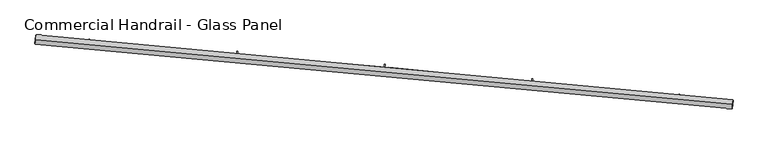
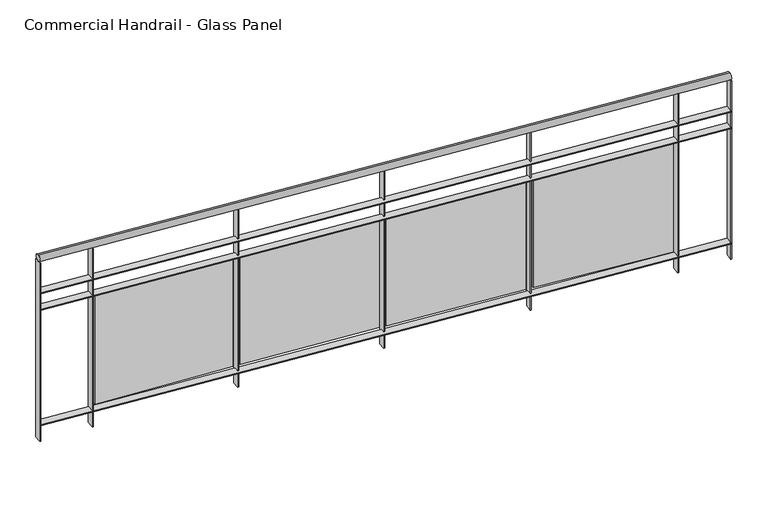
"""IFC4 building model written with IfcOpenShell, lengths in millimetres: railing geometry, Commercial Handrail - Glass Panel."""

from ifc_helpers import new_model, si_unit, point, frame, origin, place, context, project, spatial, polyline, circle_curve, ellipse_curve, trimmed, outline, extrude, source, transform, mapped, element, save
from ifc_brep_helpers import plane_surface, cylinder_surface, revolved_surface, advanced_brep


def commercial_handrail_glass_panel_b4ea910e(model_context):
    return source(origin(), model_context, "Body", "SolidModel", [
        advanced_brep(
        [(134392.4186606, -8697.9244773, 16282.5), (130631.4894824, -8347.8645549, 16282.5), (130631.4894824, -8347.8645549, 16317.5), (134392.4186606, -8697.9244773, 16317.5)],
        [
            (0, 1, circle_curve(frame((123990.1653691, -100078.2018552, 16282.5), z_axis=(0.0, 0.0, 1.0), x_axis=(0.07221150688072363, 0.9973893413677606, 0.0)), 91970.4407253)),
            (1, 2, ellipse_curve(frame((130631.4894824, -8347.8645549, 16300.0), z_axis=(0.9973893413677601, -0.07221150688073003, 0.0), x_axis=(-0.07221150688073003, -0.9973893413677601, 0.0)), 25.0, 17.5)),
            (2, 3, circle_curve(frame((123990.1653691, -100078.2018552, 16317.5), z_axis=(0.0, 0.0, -1.0), x_axis=(0.07221150688072363, 0.9973893413677606, 0.0)), 91970.4407253)),
            (3, 0, ellipse_curve(frame((134392.4186606, -8697.9244773, 16300.0), z_axis=(-0.9935831192856617, 0.11310431057468384, 0.0), x_axis=(-0.11310431057468384, -0.9935831192856617, 0.0)), 25.0, 17.5)),
            (2, 1, ellipse_curve(frame((130631.4894824, -8347.8645549, 16300.0), z_axis=(0.9973893413677601, -0.07221150688073003, 0.0), x_axis=(-0.07221150688073003, -0.9973893413677601, 0.0)), 25.0, 17.5)),
            (0, 3, ellipse_curve(frame((134392.4186606, -8697.9244773, 16300.0), z_axis=(-0.9935831192856617, 0.11310431057468384, 0.0), x_axis=(-0.11310431057468384, -0.9935831192856617, 0.0)), 25.0, 17.5)),
        ],
        [
            revolved_surface(trimmed(ellipse_curve(frame((130631.4894824, -8347.8645549, 16300.0), z_axis=(-0.9973893413677606, 0.07221150688072363, 0.0), x_axis=(0.0, 0.0, -1.0)), 17.5, 25.0), [point((130631.4894824, -8347.8645549, 16317.5))], [point((130631.4894824, -8347.8645549, 16282.5))], True, "CARTESIAN"), (123990.1653691, -100078.2018552, 16300.0), (0.0, 0.0, -1.0)),
            revolved_surface(trimmed(ellipse_curve(frame((130631.4894824, -8347.8645549, 16300.0), z_axis=(-0.9973893413677606, 0.07221150688072363, 0.0), x_axis=(0.0, 0.0, -1.0)), 17.5, 25.0), [point((130631.4894824, -8347.8645549, 16282.5))], [point((130631.4894824, -8347.8645549, 16317.5))], True, "CARTESIAN"), (123990.1653691, -100078.2018552, 16300.0), (0.0, 0.0, -1.0)),
            plane_surface(frame((130631.4894824, -8347.8645549, 16300.0), z_axis=(-0.9973893413677607, 0.07221150688072363, 0.0), x_axis=(0.07221150688072363, 0.9973893413677607, 0.0))),
            plane_surface(frame((134392.4186606, -8697.9244773, 16300.0), z_axis=(0.9935831192856617, -0.11310431057468376, 0.0), x_axis=(0.11310431057468376, 0.9935831192856617, 0.0))),
        ],
        [
            (0, [[1, 2, 3, 4]]),
            (1, [[-3, 5, -1, 6]]),
            (2, [[-2, -5]]),
            (3, [[-6, -4]]),
        ],
    ),
        advanced_brep(
        [(134394.9635076, -8675.5688571, 16100.0), (130633.1142413, -8325.4232948, 16100.0), (130629.8647235, -8370.3058151, 16100.0), (134389.8738136, -8720.2800975, 16100.0), (134394.9635076, -8675.5688571, 16094.0), (130633.1142413, -8325.4232948, 16094.0), (134389.8738136, -8720.2800975, 16094.0), (130629.8647235, -8370.3058151, 16094.0)],
        [
            (0, 1, circle_curve(frame((123990.1653691, -100078.2018552, 16100.0), z_axis=(0.0, 0.0, 1.0), x_axis=(0.07221150688072363, 0.9973893413677606, 0.0)), 91992.9407253)),
            (1, 2),
            (2, 3, circle_curve(frame((123990.1653691, -100078.2018552, 16100.0), z_axis=(0.0, 0.0, -1.0), x_axis=(0.07221150688072363, 0.9973893413677606, 0.0)), 91947.9407253)),
            (3, 0),
            (4, 5, circle_curve(frame((123990.1653691, -100078.2018552, 16094.0), z_axis=(0.0, 0.0, 1.0), x_axis=(0.07221150688072363, 0.9973893413677606, 0.0)), 91992.9407253)),
            (5, 1),
            (0, 4),
            (6, 7, circle_curve(frame((123990.1653691, -100078.2018552, 16094.0), z_axis=(0.0, 0.0, 1.0), x_axis=(0.07221150688072363, 0.9973893413677606, 0.0)), 91947.9407253)),
            (7, 5),
            (4, 6),
            (2, 7),
            (6, 3),
        ],
        [
            plane_surface(frame((123990.1653691, -100078.2018552, 16100.0), z_axis=(0.0, 0.0, 1.0), x_axis=(0.07221150688072363, 0.9973893413677606, 0.0))),
            cylinder_surface(frame((123990.1653691, -100078.2018552, 16100.0), z_axis=(0.0, 0.0, -1.0), x_axis=(0.07221150688072363, 0.9973893413677606, 0.0)), 91992.9407253),
            plane_surface(frame((123990.1653691, -100078.2018552, 16094.0), z_axis=(0.0, 0.0, -1.0), x_axis=(0.07221150688072363, 0.9973893413677606, 0.0))),
            revolved_surface(polyline([(130629.86472345337, -8370.305815071144, 16094.0), (130629.86472345337, -8370.305815071144, 16100.0)]), (123990.1653691, -100078.2018552, 16100.0), (0.0, 0.0, -1.0)),
            plane_surface(frame((130631.4894824, -8347.8645549, 16100.0), z_axis=(-0.9973893413677607, 0.07221150688072363, 0.0), x_axis=(0.07221150688072363, 0.9973893413677607, 0.0))),
            plane_surface(frame((134392.4186606, -8697.9244773, 16100.0), z_axis=(0.9935831192856617, -0.11310431057468376, 0.0), x_axis=(0.11310431057468376, 0.9935831192856617, 0.0))),
        ],
        [
            (0, [[1, 2, 3, 4]]),
            (1, [[5, 6, -1, 7]]),
            (2, [[8, 9, -5, 10]]),
            (3, [[-3, 11, -8, 12]]),
            (4, [[-2, -6, -9, -11]]),
            (5, [[-12, -10, -7, -4]]),
        ],
    ),
        advanced_brep(
        [(134394.9635076, -8675.5688571, 16000.0), (130633.1142413, -8325.4232948, 16000.0), (130629.8647235, -8370.3058151, 16000.0), (134389.8738136, -8720.2800975, 16000.0), (134394.9635076, -8675.5688571, 15994.0), (130633.1142413, -8325.4232948, 15994.0), (134389.8738136, -8720.2800975, 15994.0), (130629.8647235, -8370.3058151, 15994.0)],
        [
            (0, 1, circle_curve(frame((123990.1653691, -100078.2018552, 16000.0), z_axis=(0.0, 0.0, 1.0), x_axis=(0.07221150688072363, 0.9973893413677606, 0.0)), 91992.9407253)),
            (1, 2),
            (2, 3, circle_curve(frame((123990.1653691, -100078.2018552, 16000.0), z_axis=(0.0, 0.0, -1.0), x_axis=(0.07221150688072363, 0.9973893413677606, 0.0)), 91947.9407253)),
            (3, 0),
            (4, 5, circle_curve(frame((123990.1653691, -100078.2018552, 15994.0), z_axis=(0.0, 0.0, 1.0), x_axis=(0.07221150688072363, 0.9973893413677606, 0.0)), 91992.9407253)),
            (5, 1),
            (0, 4),
            (6, 7, circle_curve(frame((123990.1653691, -100078.2018552, 15994.0), z_axis=(0.0, 0.0, 1.0), x_axis=(0.07221150688072363, 0.9973893413677606, 0.0)), 91947.9407253)),
            (7, 5),
            (4, 6),
            (2, 7),
            (6, 3),
        ],
        [
            plane_surface(frame((123990.1653691, -100078.2018552, 16000.0), z_axis=(0.0, 0.0, 1.0), x_axis=(0.07221150688072363, 0.9973893413677606, 0.0))),
            cylinder_surface(frame((123990.1653691, -100078.2018552, 16000.0), z_axis=(0.0, 0.0, -1.0), x_axis=(0.07221150688072363, 0.9973893413677606, 0.0)), 91992.9407253),
            plane_surface(frame((123990.1653691, -100078.2018552, 15994.0), z_axis=(0.0, 0.0, -1.0), x_axis=(0.07221150688072363, 0.9973893413677606, 0.0))),
            revolved_surface(polyline([(130629.86472345337, -8370.305815071144, 15994.0), (130629.86472345337, -8370.305815071144, 16000.0)]), (123990.1653691, -100078.2018552, 16000.0), (0.0, 0.0, -1.0)),
            plane_surface(frame((130631.4894824, -8347.8645549, 16000.0), z_axis=(-0.9973893413677607, 0.07221150688072363, 0.0), x_axis=(0.07221150688072363, 0.9973893413677607, 0.0))),
            plane_surface(frame((134392.4186606, -8697.9244773, 16000.0), z_axis=(0.9935831192856617, -0.11310431057468376, 0.0), x_axis=(0.11310431057468376, 0.9935831192856617, 0.0))),
        ],
        [
            (0, [[1, 2, 3, 4]]),
            (1, [[5, 6, -1, 7]]),
            (2, [[8, 9, -5, 10]]),
            (3, [[-3, 11, -8, 12]]),
            (4, [[-2, -6, -9, -11]]),
            (5, [[-12, -10, -7, -4]]),
        ],
    ),
        advanced_brep(
        [(134394.9635076, -8675.5688571, 15300.0), (130633.1142413, -8325.4232948, 15300.0), (130629.8647235, -8370.3058151, 15300.0), (134389.8738136, -8720.2800975, 15300.0), (134394.9635076, -8675.5688571, 15294.0), (130633.1142413, -8325.4232948, 15294.0), (134389.8738136, -8720.2800975, 15294.0), (130629.8647235, -8370.3058151, 15294.0)],
        [
            (0, 1, circle_curve(frame((123990.1653691, -100078.2018552, 15300.0), z_axis=(0.0, 0.0, 1.0), x_axis=(0.07221150688072363, 0.9973893413677606, 0.0)), 91992.9407253)),
            (1, 2),
            (2, 3, circle_curve(frame((123990.1653691, -100078.2018552, 15300.0), z_axis=(0.0, 0.0, -1.0), x_axis=(0.07221150688072363, 0.9973893413677606, 0.0)), 91947.9407253)),
            (3, 0),
            (4, 5, circle_curve(frame((123990.1653691, -100078.2018552, 15294.0), z_axis=(0.0, 0.0, 1.0), x_axis=(0.07221150688072363, 0.9973893413677606, 0.0)), 91992.9407253)),
            (5, 1),
            (0, 4),
            (6, 7, circle_curve(frame((123990.1653691, -100078.2018552, 15294.0), z_axis=(0.0, 0.0, 1.0), x_axis=(0.07221150688072363, 0.9973893413677606, 0.0)), 91947.9407253)),
            (7, 5),
            (4, 6),
            (2, 7),
            (6, 3),
        ],
        [
            plane_surface(frame((123990.1653691, -100078.2018552, 15300.0), z_axis=(0.0, 0.0, 1.0), x_axis=(0.07221150688072363, 0.9973893413677606, 0.0))),
            cylinder_surface(frame((123990.1653691, -100078.2018552, 15300.0), z_axis=(0.0, 0.0, -1.0), x_axis=(0.07221150688072363, 0.9973893413677606, 0.0)), 91992.9407253),
            plane_surface(frame((123990.1653691, -100078.2018552, 15294.0), z_axis=(0.0, 0.0, -1.0), x_axis=(0.07221150688072363, 0.9973893413677606, 0.0))),
            revolved_surface(polyline([(130629.86472345337, -8370.305815071144, 15294.0), (130629.86472345337, -8370.305815071144, 15300.0)]), (123990.1653691, -100078.2018552, 15300.0), (0.0, 0.0, -1.0)),
            plane_surface(frame((130631.4894824, -8347.8645549, 15300.0), z_axis=(-0.9973893413677607, 0.07221150688072363, 0.0), x_axis=(0.07221150688072363, 0.9973893413677607, 0.0))),
            plane_surface(frame((134392.4186606, -8697.9244773, 15300.0), z_axis=(0.9935831192856617, -0.11310431057468376, 0.0), x_axis=(0.11310431057468376, 0.9935831192856617, 0.0))),
        ],
        [
            (0, [[1, 2, 3, 4]]),
            (1, [[5, 6, -1, 7]]),
            (2, [[8, 9, -5, 10]]),
            (3, [[-3, 11, -8, 12]]),
            (4, [[-2, -6, -9, -11]]),
            (5, [[-12, -10, -7, -4]]),
        ],
    ),
        extrude(outline(polyline([(134100.038637, -8687.7522714), (134104.9879428, -8643.0252732), (134110.9515425, -8643.6851806), (134106.0022367, -8688.4121789), (134100.038637, -8687.7522714)])), frame((0.0, 0.0, 15200.0), z_axis=(0.0, 0.0, 1.0), x_axis=(1.0, 0.0, 0.0)), (0.0, 0.0, 1.0), 1082.1192282),
        extrude(outline(polyline([(133330.5884692, -8576.4721186), (134086.3341715, -8656.7742575), (134085.066243, -8668.7070844), (133329.3205407, -8588.4049454), (133330.5884692, -8576.4721186)])), frame((0.0, 0.0, 15320.0), z_axis=(0.0, 0.0, 1.0), x_axis=(1.0, 0.0, 0.0)), (0.0, 0.0, 1.0), 660.0),
        extrude(outline(polyline([(133304.7112147, -8603.2705991), (133309.2712828, -8558.5022422), (133315.240397, -8559.1102513), (133310.680329, -8603.8786082), (133304.7112147, -8603.2705991)])), frame((0.0, 0.0, 15200.0), z_axis=(0.0, 0.0, 1.0), x_axis=(1.0, 0.0, 0.0)), (0.0, 0.0, 1.0), 1082.1192282),
        extrude(outline(polyline([(132534.3222039, -8498.6875932), (133290.7378105, -8572.4129632), (133289.5737257, -8584.3563675), (132533.1581191, -8510.6309975), (132534.3222039, -8498.6875932)])), frame((0.0, 0.0, 15320.0), z_axis=(0.0, 0.0, 1.0), x_axis=(1.0, 0.0, 0.0)), (0.0, 0.0, 1.0), 660.0),
        extrude(outline(polyline([(132508.6790306, -8525.710149), (132512.8495159, -8480.9038207), (132518.823693, -8481.4598854), (132514.6532077, -8526.2662137), (132508.6790306, -8525.710149)])), frame((0.0, 0.0, 15200.0), z_axis=(0.0, 0.0, 1.0), x_axis=(1.0, 0.0, 0.0)), (0.0, 0.0, 1.0), 1082.1192282),
        extrude(outline(polyline([(131737.4094664, -8427.832203), (132494.4377449, -8494.9752258), (132493.3775919, -8506.9283039), (131736.3493134, -8439.7852811), (131737.4094664, -8427.832203)])), frame((0.0, 0.0, 15320.0), z_axis=(0.0, 0.0, 1.0), x_axis=(1.0, 0.0, 0.0)), (0.0, 0.0, 1.0), 660.0),
        extrude(outline(polyline([(131712.0023145, -8455.0767895), (131715.7829014, -8410.23588), (131721.7616894, -8410.7399583), (131717.9811024, -8455.5808678), (131712.0023145, -8455.0767895)])), frame((0.0, 0.0, 15200.0), z_axis=(0.0, 0.0, 1.0), x_axis=(1.0, 0.0, 0.0)), (0.0, 0.0, 1.0), 1082.1192282),
        extrude(outline(polyline([(130939.9105529, -8363.9113091), (131697.4942248, -8424.4669046), (131696.5380838, -8436.428752), (130938.954412, -8375.8731566), (130939.9105529, -8363.9113091)])), frame((0.0, 0.0, 15320.0), z_axis=(0.0, 0.0, 1.0), x_axis=(1.0, 0.0, 0.0)), (0.0, 0.0, 1.0), 660.0),
        extrude(outline(polyline([(130914.7413448, -8391.3758649), (130918.1317474, -8346.503767), (130924.1146938, -8346.9558207), (130920.7242912, -8391.8279186), (130914.7413448, -8391.3758649)])), frame((0.0, 0.0, 15200.0), z_axis=(0.0, 0.0, 1.0), x_axis=(1.0, 0.0, 0.0)), (0.0, 0.0, 1.0), 1082.1192282),
        extrude(outline(polyline([(134386.8930643, -8719.9407846), (134391.9827582, -8675.2295442), (134397.9442569, -8675.9081701), (134392.854563, -8720.6194104), (134386.8930643, -8719.9407846)])), frame((0.0, 0.0, 15200.0), z_axis=(0.0, 0.0, 1.0), x_axis=(1.0, 0.0, 0.0)), (0.0, 0.0, 1.0), 1082.1192282),
        extrude(outline(polyline([(130626.8725554, -8370.0891806), (130630.1220733, -8325.2066602), (130636.1064093, -8325.6399293), (130632.8568915, -8370.5224496), (130626.8725554, -8370.0891806)])), frame((0.0, 0.0, 15200.0), z_axis=(0.0, 0.0, 1.0), x_axis=(1.0, 0.0, 0.0)), (0.0, 0.0, 1.0), 1082.1192282),
    ])


if __name__ == "__main__":
    model = new_model("IFC4")
    model_context = context("Model", 3, world=origin())
    ifc_project = project(units=[si_unit("LENGTHUNIT", "METRE", prefix="MILLI")], contexts=[model_context])
    site = spatial("IfcSite", under=ifc_project)
    building = spatial("IfcBuilding", under=site)
    placement = place(None, origin())
    commercial_handrail_glass_panel_shape = commercial_handrail_glass_panel_b4ea910e(model_context)
    element("IfcRailing", 1, ObjectType="Commercial Handrail - Glass Panel", at=placement, inside=building, context=model_context, shape_type="MappedRepresentation", body=[
        mapped(commercial_handrail_glass_panel_shape, transform((0.0, 0.0, 0.0), x_axis=(1.0, 0.0, 0.0), y_axis=(0.0, 1.0, 0.0), z_axis=(0.0, 0.0, 1.0))),
    ])
    save(model, "model.ifc")
